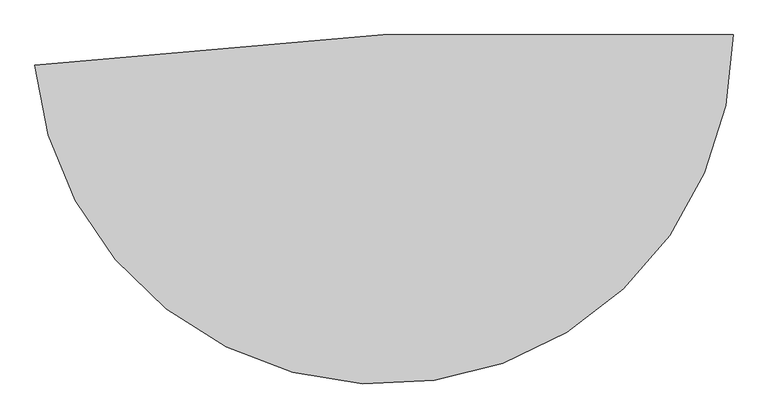
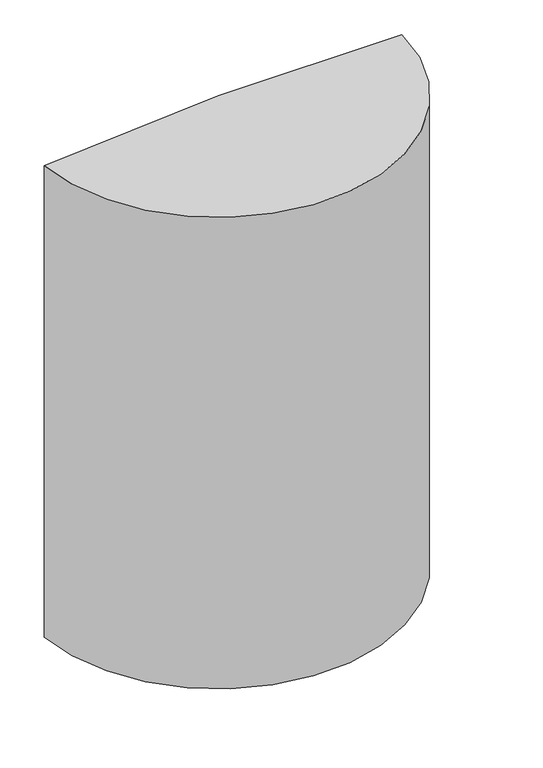
"""IFC4 building model written with IfcOpenShell, lengths in millimetres: proxy geometry."""

from ifc_helpers import new_model, si_unit, point, origin, origin_with_axes, origin_2d, place, context, project, spatial, polyline, circle_curve, trimmed, segment, composite_curve, outline, extrude, source, transform, mapped, element, save


def generic_models_3d020b91(model_context):
    return source(origin(), model_context, "Body", "SweptSolid", [
        extrude(outline(composite_curve([segment(polyline([(0.0, 0.0), (886.0, 0.0)]), True, "CONTINUOUS"), segment(trimmed(circle_curve(origin_2d(), 886.0), [point((886.0, 0.0))], [point((-882.6285025, -77.2199881))], False, "CARTESIAN"), True, "CONTINUOUS"), segment(polyline([(-882.6285025, -77.2199881), (0.0, 0.0)]), True, "CONTINUOUS")], self_intersect=False)), origin_with_axes(), (0.0, 0.0, 1.0), 2402.0),
    ])


if __name__ == "__main__":
    model = new_model("IFC4")
    model_context = context("Model", 3, world=origin())
    ifc_project = project(units=[si_unit("LENGTHUNIT", "METRE", prefix="MILLI")], contexts=[model_context])
    site = spatial("IfcSite", under=ifc_project)
    building = spatial("IfcBuilding", under=site)
    placement = place(None, origin())
    generic_models_shape = generic_models_3d020b91(model_context)
    element("IfcBuildingElementProxy", 1, Name="Generic Models", at=placement, inside=building, context=model_context, shape_type="MappedRepresentation", body=[
        mapped(generic_models_shape, transform((0.0, 0.0, 0.0), x_axis=(1.0, 0.0, 0.0), y_axis=(0.0, 1.0, 0.0), z_axis=(0.0, 0.0, 1.0))),
    ])
    save(model, "model.ifc")
